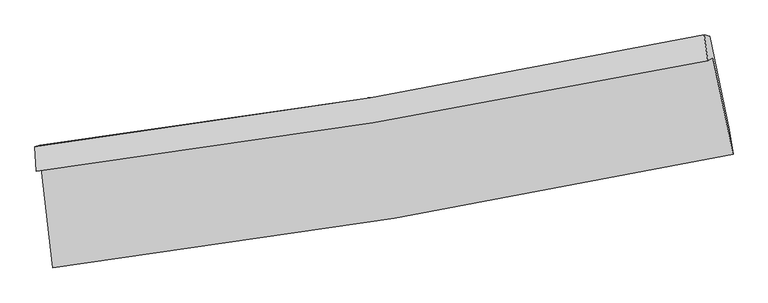
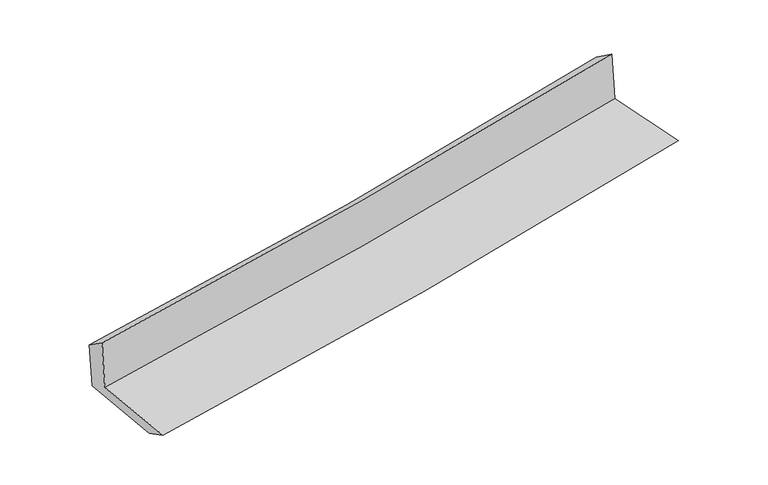
"""IFC4 building model written with IfcOpenShell, lengths in millimetres: proxy geometry."""

from ifc_helpers import new_model, si_unit, frame, origin, place, context, project, spatial, source, transform, mapped, element, save
from ifc_brep_helpers import plane_surface, spline_curve, spline_surface, advanced_brep


def generic_models_bf9dec58(model_context):
    return source(origin(), model_context, "Body", "AdvancedBrep", [
        advanced_brep(
        [(-2275.7941999, -1860.7620309, 1677.4868883), (-2197.1633702, -2525.6324289, 1650.4187493), (2359.7124288, -1765.4799563, 2085.5340112), (2224.3791108, -1119.1677078, 2093.4886983), (-2309.6108988, -1881.0566464, 2077.7454339), (2190.5644703, -1139.461088, 2493.7228814), (-2318.1480518, -1716.1291127, 1962.9945773), (2166.0248958, -966.4129925, 2372.8002739), (-2286.7784165, -1705.9312445, 1602.6490781), (2202.2537805, -975.656147, 2011.8733317), (-2208.9690631, -2356.3915901, 1566.3918051), (2335.5876193, -1602.1441672, 1981.5251419)],
        [
            (0, 1),
            (1, 2, spline_curve(3, [(-2197.1633702, -2525.6324289, 1650.4187493), (-1432.891612677, -2431.317622769, 1722.094437487), (-671.146792997, -2320.84173245, 1794.179180356), (847.815311395, -2067.479990666, 1939.21703363), (1605.029091573, -1924.571723342, 2012.170711181), (2359.7124288, -1765.4799563, 2085.5340112)], [4, 2, 4], [0.0, 7.561567281295714, 15.128376750594946])),
            (2, 3),
            (3, 0, spline_curve(3, [(2224.3791108, -1119.1677078, 2093.4886983), (1478.609779313, -1271.556882537, 2027.910063258), (730.579940186, -1409.567430718, 1960.441260818), (-769.480960911, -1656.745622482, 1821.771372982), (-1521.508892375, -1765.933182368, 1750.572905069), (-2275.7941999, -1860.7620309, 1677.4868883)], [4, 2, 4], [0.0, 7.566809469299232, 15.128376750594946])),
            (4, 0),
            (3, 5),
            (5, 4, spline_curve(3, [(2190.5644703, -1139.461088, 2493.7228814), (1444.794109436, -1291.850880491, 2428.156429067), (696.763584314, -1429.861840358, 2360.695747529), (-803.298002602, -1677.040443699, 2222.033974458), (-1555.325933787, -1786.228003348, 2150.835506924), (-2309.6108988, -1881.0566464, 2077.7454339)], [4, 2, 4], [0.0, 7.517002573405752, 15.028797464383052])),
            (6, 4),
            (5, 7),
            (7, 6, spline_curve(3, [(2166.0248958, -966.4129925, 2372.8002739), (1424.177998115, -1123.162821411, 2303.259009237), (679.442984397, -1264.030226538, 2234.326279523), (-815.285331936, -1513.913601479, 2097.725223598), (-1565.274633943, -1622.951569517, 2030.056054448), (-2318.1480518, -1716.1291127, 1962.9945773)], [4, 2, 4], [0.0, 7.5049015875588525, 15.00460387609617])),
            (8, 6),
            (7, 9),
            (9, 8, spline_curve(3, [(2202.2537805, -975.656147, 2011.8733317), (1460.357448538, -1135.807450245, 1942.158550435), (715.19250791, -1276.753795162, 1873.187579312), (-781.1560852, -1520.152226776, 1736.780525185), (-1532.335210327, -1622.630914486, 1669.343411604), (-2286.7784165, -1705.9312445, 1602.6490781)], [4, 2, 4], [0.0, 7.494560287219121, 14.9839284397362])),
            (10, 8),
            (9, 11),
            (11, 10, spline_curve(3, [(2335.5876193, -1602.1441672, 1981.5251419), (1584.418799018, -1768.387532818, 1910.617365262), (829.988973038, -1914.377931899, 1840.557338377), (-684.867771003, -2165.76568743, 1702.180733796), (-1445.290172687, -2271.191095805, 1633.862981583), (-2208.9690631, -2356.3915901, 1566.3918051)], [4, 2, 4], [0.0, 7.544856021139032, 15.084485063340278])),
            (1, 10),
            (11, 2),
        ],
        [
            spline_surface(3, 3, [[(-2275.7941999, -1860.7620309, 1677.4868883), (-1521.508892275, -1765.933182251, 1750.572905128), (-769.480960996, -1656.745622583, 1821.771372876), (730.579940271, -1409.567430616, 1960.441260924), (1478.60977919, -1271.556882624, 2027.9100632), (2224.3791108, -1119.1677078, 2093.4886983)], [(-2249.583923316, -2082.385496902, 1668.464175268), (-1491.969799077, -1987.727995735, 1741.080082519), (-736.702905009, -1878.110992539, 1812.573975366), (769.658397358, -1628.871617269, 1953.366518495), (1520.749549962, -1489.228496195, 2022.663612562), (2269.490216802, -1334.605123971, 2090.837135938)], [(-2223.373646784, -2304.008962898, 1659.441462332), (-1462.430705932, -2209.522809214, 1731.587260005), (-703.924849072, -2099.47636254, 1803.376577857), (808.736854397, -1848.175803966, 1946.291776067), (1562.889320728, -1706.900109751, 2017.41716191), (2314.601322798, -1550.042540129, 2088.185573562)], [(-2197.1633702, -2525.6324289, 1650.4187493), (-1432.891612734, -2431.317622698, 1722.094437396), (-671.146793086, -2320.841732497, 1794.179180347), (847.815311484, -2067.479990619, 1939.217033639), (1605.029091499, -1924.571723321, 2012.170711273), (2359.7124288, -1765.4799563, 2085.5340112)]], [4, 4], [4, 2, 4], [0.0, 2.1987466384011123], [0.0, 7.561567281295714, 15.128376750594946]),
            spline_surface(3, 3, [[(-2309.6108988, -1881.0566464, 2077.7454339), (-1555.325933871, -1786.228003415, 2150.835506921), (-803.298002592, -1677.040443747, 2222.033974569), (696.763584304, -1429.86184031, 2360.695747418), (1444.794109413, -1291.85088053, 2428.156428944), (2190.5644703, -1139.461088, 2493.7228814)], [(-2298.338665837, -1874.291774571, 1944.325918729), (-1544.053586676, -1779.463063031, 2017.414639686), (-792.025655397, -1670.275503363, 2088.613107334), (708.035702956, -1423.097037082, 2227.277585249), (1456.065999363, -1285.086214555, 2294.740973716), (2201.836017158, -1132.696627927, 2360.311487054)], [(-2287.066432863, -1867.526902729, 1810.906403471), (-1532.78123947, -1772.698122635, 1883.993772363), (-780.753308191, -1663.510562967, 1955.192240111), (719.307821619, -1416.332233844, 2093.859423093), (1467.33788924, -1278.321548599, 2161.325518427), (2213.107563942, -1125.932167873, 2226.900092646)], [(-2275.7941999, -1860.7620309, 1677.4868883), (-1521.508892275, -1765.933182251, 1750.572905128), (-769.480960996, -1656.745622583, 1821.771372876), (730.579940271, -1409.567430616, 1960.441260924), (1478.60977919, -1271.556882624, 2027.9100632), (2224.3791108, -1119.1677078, 2093.4886983)]], [4, 4], [4, 2, 4], [0.0, 1.319543610769372], [0.0, 7.5117948909773, 15.028797464383052]),
            spline_surface(3, 3, [[(-2318.1480518, -1716.1291127, 1962.9945773), (-1565.274633935, -1622.951569585, 2030.056054485), (-815.28533186, -1513.91360139, 2097.725223574), (679.442984322, -1264.030226627, 2234.326279547), (1424.177998109, -1123.162821455, 2303.259009356), (2166.0248958, -966.4129925, 2372.8002739)], [(-2315.30233415, -1771.104957263, 2001.244862818), (-1561.958400598, -1677.377047524, 2070.315871948), (-811.289555456, -1568.289215525, 2139.161473911), (685.21651763, -1319.307431204, 2276.449435509), (1431.050035181, -1179.392174482, 2344.891482549), (2174.204753937, -1024.095691002, 2413.107809731)], [(-2312.45661645, -1826.080801837, 2039.495148382), (-1558.642167209, -1731.802525476, 2110.575689458), (-807.293778996, -1622.664829612, 2180.597724232), (690.990050995, -1374.584635733, 2318.572591456), (1437.922072341, -1235.621527503, 2386.52395575), (2182.384612163, -1081.778389498, 2453.415345569)], [(-2309.6108988, -1881.0566464, 2077.7454339), (-1555.325933871, -1786.228003415, 2150.835506921), (-803.298002592, -1677.040443747, 2222.033974569), (696.763584304, -1429.86184031, 2360.695747418), (1444.794109413, -1291.85088053, 2428.156428944), (2190.5644703, -1139.461088, 2493.7228814)]], [4, 4], [4, 2, 4], [0.0, 0.6801600408683054], [0.0, 7.499702288537317, 15.00460387609617]),
            spline_surface(3, 3, [[(-2286.7784165, -1705.9312445, 1602.6490781), (-1532.335210228, -1622.630914545, 1669.343411553), (-781.156085136, -1520.152226893, 1736.780525101), (715.192507846, -1276.753795045, 1873.187579395), (1460.357448452, -1135.807450248, 1942.158550364), (2202.2537805, -975.656147, 2011.8733317)], [(-2297.234961592, -1709.33053389, 1722.764244516), (-1543.315018123, -1622.737799549, 1789.580959213), (-792.532500711, -1518.072685053, 1857.095424587), (703.276000004, -1272.512605567, 1993.567146108), (1448.297631697, -1131.592573983, 2062.52537002), (2190.177485626, -972.5750955, 2132.182312425)], [(-2307.691506708, -1712.72982331, 1842.879410884), (-1554.294826041, -1622.844684582, 1909.818506825), (-803.908916285, -1515.993143229, 1977.410324088), (691.359492163, -1268.271416105, 2113.946712835), (1436.237814864, -1127.37769772, 2182.892189701), (2178.101190674, -969.494044, 2252.491293175)], [(-2318.1480518, -1716.1291127, 1962.9945773), (-1565.274633935, -1622.951569585, 2030.056054485), (-815.28533186, -1513.91360139, 2097.725223574), (679.442984322, -1264.030226627, 2234.326279547), (1424.177998109, -1123.162821455, 2303.259009356), (2166.0248958, -966.4129925, 2372.8002739)]], [4, 4], [4, 2, 4], [0.0, 1.1904607501841324], [0.0, 7.489368152517079, 14.9839284397362]),
            spline_surface(3, 3, [[(-2208.9690631, -2356.3915901, 1566.3918051), (-1445.290172739, -2271.191095899, 1633.862981601), (-684.867771105, -2165.76568736, 1702.180733721), (829.988973141, -1914.377931969, 1840.557338452), (1584.418799015, -1768.387532926, 1910.617365244), (2335.5876193, -1602.1441672, 1981.5251419)], [(-2234.905514241, -2139.571474899, 1578.477562749), (-1474.305185243, -2055.00436878, 1645.689791567), (-716.963875785, -1950.561200543, 1713.713997516), (791.723484706, -1701.836553, 1851.434085434), (1543.065015491, -1557.527505365, 1921.131093597), (2291.143006364, -1393.314827132, 1991.641205146)], [(-2260.841965359, -1922.751359701, 1590.563320451), (-1503.320197725, -1838.817641664, 1657.516601587), (-749.059980456, -1735.35671371, 1725.247261307), (753.45799628, -1489.295174014, 1862.310832413), (1501.711231975, -1346.667477809, 1931.644822011), (2246.698393436, -1184.485487068, 2001.757268454)], [(-2286.7784165, -1705.9312445, 1602.6490781), (-1532.335210228, -1622.630914545, 1669.343411553), (-781.156085136, -1520.152226893, 1736.780525101), (715.192507846, -1276.753795045, 1873.187579395), (1460.357448452, -1135.807450248, 1942.158550364), (2202.2537805, -975.656147, 2011.8733317)]], [4, 4], [4, 2, 4], [0.0, 2.136181040366697], [0.0, 7.539629042201246, 15.084485063340278]),
            spline_surface(3, 3, [[(-2197.1633702, -2525.6324289, 1650.4187493), (-1432.891612734, -2431.317622698, 1722.094437396), (-671.146793086, -2320.841732497, 1794.179180347), (847.815311484, -2067.479990619, 1939.217033639), (1605.029091499, -1924.571723321, 2012.170711273), (2359.7124288, -1765.4799563, 2085.5340112)], [(-2201.098601164, -2469.218815976, 1622.40976792), (-1437.024466067, -2377.942113775, 1692.683952151), (-675.720452416, -2269.149717446, 1763.513031474), (841.873198712, -2016.445971064, 1906.330468579), (1598.158993984, -1872.510326523, 1978.319595936), (2351.670825613, -1711.034693268, 2050.864388106)], [(-2205.033832136, -2412.805203024, 1594.40078648), (-1441.157319406, -2324.566604822, 1663.273466846), (-680.294111775, -2217.457702411, 1732.846882594), (835.931085913, -1965.411951524, 1873.443903512), (1591.28889653, -1820.448929723, 1944.46848058), (2343.629222487, -1656.589430232, 2016.194764994)], [(-2208.9690631, -2356.3915901, 1566.3918051), (-1445.290172739, -2271.191095899, 1633.862981601), (-684.867771105, -2165.76568736, 1702.180733721), (829.988973141, -1914.377931969, 1840.557338452), (1584.418799015, -1768.387532926, 1910.617365244), (2335.5876193, -1602.1441672, 1981.5251419)]], [4, 4], [4, 2, 4], [0.0, 0.5967175020528946], [0.0, 7.599715469436941, 15.204699573772174]),
            plane_surface(frame((2246.4203842, -1261.3870098, 2173.1573897), z_axis=(0.9747910838740981, 0.20297421147887573, 0.09264886547654078), x_axis=(-0.09984303420467827, 0.025473171493801815, 0.9946770762689019))),
            plane_surface(frame((-2266.0773334, -2007.6505089, 1756.2810887), z_axis=(-0.9895248409088134, -0.11338839122444405, -0.08935134000069664), x_axis=(-0.11735054152187883, 0.992268573188482, 0.04039714181740987))),
        ],
        [
            (0, [[1, 2, 3, 4]]),
            (1, [[5, -4, 6, 7]]),
            (2, [[8, -7, 9, 10]]),
            (3, [[11, -10, 12, 13]]),
            (4, [[14, -13, 15, 16]]),
            (5, [[17, -16, 18, -2]]),
            (6, [[-12, -9, -6, -3, -18, -15]]),
            (7, [[-1, -5, -8, -11, -14, -17]]),
        ],
    ),
    ])


if __name__ == "__main__":
    model = new_model("IFC4")
    model_context = context("Model", 3, world=origin())
    ifc_project = project(units=[si_unit("LENGTHUNIT", "METRE", prefix="MILLI")], contexts=[model_context])
    site = spatial("IfcSite", under=ifc_project)
    building = spatial("IfcBuilding", under=site)
    placement = place(None, origin())
    generic_models_shape = generic_models_bf9dec58(model_context)
    element("IfcBuildingElementProxy", 1, Name="Generic Models", at=placement, inside=building, context=model_context, shape_type="MappedRepresentation", body=[
        mapped(generic_models_shape, transform((0.0, 0.0, 0.0), x_axis=(1.0, 0.0, 0.0), y_axis=(0.0, 1.0, 0.0), z_axis=(0.0, 0.0, 1.0))),
    ])
    save(model, "model.ifc")
